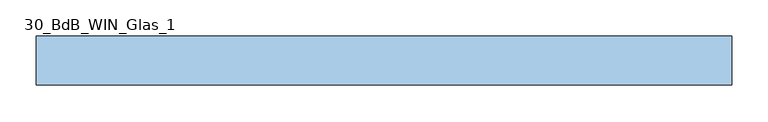
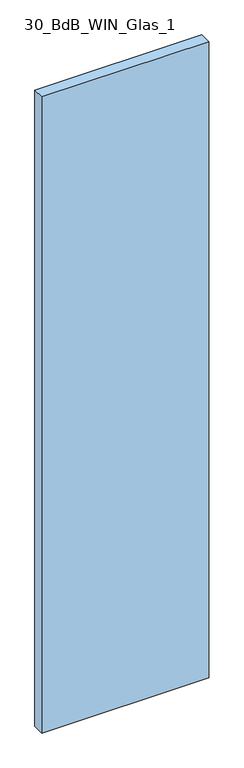
"""IFC4 building model written with IfcOpenShell, lengths in millimetres: window geometry, 30_BdB_WIN_Glas_1."""

from ifc_helpers import new_model, si_unit, origin, origin_with_axes, place, context, project, spatial, polyline, outline, extrude, source, transform, mapped, element, save


def window_30_bdb_win_glas_1_1588b042(model_context):
    return source(origin(), model_context, "Body", "SweptSolid", [
        extrude(outline(polyline([(-480.5, 0.0), (480.5, 0.0), (480.5, -68.0), (-480.5, -68.0), (-480.5, 0.0)])), origin_with_axes(), (0.0, 0.0, 1.0), 3873.0),
    ])


if __name__ == "__main__":
    model = new_model("IFC4")
    model_context = context("Model", 3, world=origin())
    ifc_project = project(units=[si_unit("LENGTHUNIT", "METRE", prefix="MILLI")], contexts=[model_context])
    site = spatial("IfcSite", under=ifc_project)
    building = spatial("IfcBuilding", under=site)
    placement = place(None, origin())
    window_30_bdb_win_glas_1_shape = window_30_bdb_win_glas_1_1588b042(model_context)
    element("IfcWindow", 1, ObjectType="30_BdB_WIN_Glas_1", at=placement, inside=building, context=model_context, shape_type="MappedRepresentation", body=[
        mapped(window_30_bdb_win_glas_1_shape, transform((0.0, 0.0, 0.0), x_axis=(1.0, 0.0, 0.0), y_axis=(0.0, 1.0, 0.0), z_axis=(0.0, 0.0, 1.0))),
    ])
    save(model, "model.ifc")
